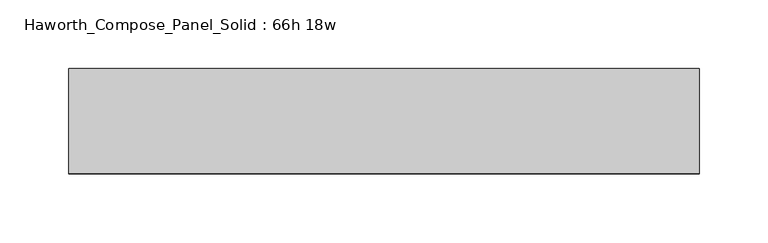
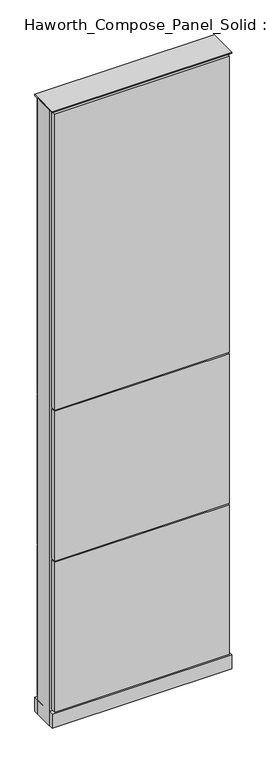
"""IFC4 building model written with IfcOpenShell, lengths in millimetres: furniture geometry, Haworth_Compose_Panel_Solid : 66h 18w."""

from ifc_helpers import new_model, si_unit, point, frame, frame_2d, origin, origin_with_axes, place, context, project, spatial, polyline, circle_curve, trimmed, segment, composite_curve, outline, extrude, source, transform, mapped, element, save


def haworth_compose_panel_solid_66h_18w_3dfef47e(model_context):
    return source(origin(), model_context, "Body", "SweptSolid", [
        extrude(outline(composite_curve([segment(trimmed(circle_curve(frame_2d((-149.9597098, 0.0)), 12.7), [point((-162.6597098, 0.0))], [point((-137.2597098, 0.0))], False, "CARTESIAN"), True, "CONTINUOUS"), segment(trimmed(circle_curve(frame_2d((-149.9597098, 0.0)), 12.7), [point((-137.2597098, 0.0))], [point((-162.6597098, 0.0))], False, "CARTESIAN"), True, "CONTINUOUS")], self_intersect=False)), origin_with_axes(), (0.0, 0.0, 1.0), 12.7),
        extrude(outline(composite_curve([segment(trimmed(circle_curve(frame_2d((154.8402902, 0.0)), 12.7), [point((142.1402902, 0.0))], [point((167.5402902, 0.0))], False, "CARTESIAN"), True, "CONTINUOUS"), segment(trimmed(circle_curve(frame_2d((154.8402902, 0.0)), 12.7), [point((167.5402902, 0.0))], [point((142.1402902, 0.0))], False, "CARTESIAN"), True, "CONTINUOUS")], self_intersect=False)), origin_with_axes(), (0.0, 0.0, 1.0), 12.7),
        extrude(outline(polyline([(224.6902902, 38.1), (224.6902902, 25.4), (-219.8097098, 25.4), (-219.8097098, 38.1), (224.6902902, 38.1)])), frame((0.0, 0.0, 866.775), z_axis=(0.0, 0.0, 1.0), x_axis=(1.0, 0.0, 0.0)), (0.0, 0.0, 1.0), 796.925),
        extrude(outline(polyline([(224.6902902, 38.1), (224.6902902, 25.4), (-219.8097098, 25.4), (-219.8097098, 38.1), (224.6902902, 38.1)])), frame((0.0, 0.0, 460.375), z_axis=(0.0, 0.0, 1.0), x_axis=(1.0, 0.0, 0.0)), (0.0, 0.0, 1.0), 403.225),
        extrude(outline(polyline([(224.6902902, 38.1), (224.6902902, 25.4), (-219.8097098, 25.4), (-219.8097098, 38.1), (224.6902902, 38.1)])), frame((0.0, 0.0, 53.975), z_axis=(0.0, 0.0, 1.0), x_axis=(1.0, 0.0, 0.0)), (0.0, 0.0, 1.0), 403.225),
        extrude(outline(polyline([(224.6902902, -38.1), (-219.8097098, -38.1), (-219.8097098, -25.4), (224.6902902, -25.4), (224.6902902, -38.1)])), frame((0.0, 0.0, 866.775), z_axis=(0.0, 0.0, 1.0), x_axis=(1.0, 0.0, 0.0)), (0.0, 0.0, 1.0), 796.925),
        extrude(outline(polyline([(224.6902902, -38.1), (-219.8097098, -38.1), (-219.8097098, -25.4), (224.6902902, -25.4), (224.6902902, -38.1)])), frame((0.0, 0.0, 460.375), z_axis=(0.0, 0.0, 1.0), x_axis=(1.0, 0.0, 0.0)), (0.0, 0.0, 1.0), 403.225),
        extrude(outline(polyline([(224.6902902, -38.1), (-219.8097098, -38.1), (-219.8097098, -25.4), (224.6902902, -25.4), (224.6902902, -38.1)])), frame((0.0, 0.0, 53.975), z_axis=(0.0, 0.0, 1.0), x_axis=(1.0, 0.0, 0.0)), (0.0, 0.0, 1.0), 403.225),
        extrude(outline(polyline([(231.0402902, 25.4), (231.0402902, -25.4), (-226.1597098, -25.4), (-226.1597098, 25.4), (231.0402902, 25.4)])), frame((0.0, 0.0, 12.7), z_axis=(0.0, 0.0, 1.0), x_axis=(1.0, 0.0, 0.0)), (0.0, 0.0, 1.0), 1657.35),
        extrude(outline(polyline([(-226.1597098, -38.1), (-226.1597098, 38.1), (231.0402902, 38.1), (231.0402902, -38.1), (-226.1597098, -38.1)])), frame((0.0, 0.0, 12.7), z_axis=(0.0, 0.0, 1.0), x_axis=(1.0, 0.0, 0.0)), (0.0, 0.0, 1.0), 38.1),
        extrude(outline(polyline([(-226.1597098, -38.1), (-226.1597098, 38.1), (231.0402902, 38.1), (231.0402902, -38.1), (-226.1597098, -38.1)])), frame((0.0, 0.0, 1670.05), z_axis=(0.0, 0.0, 1.0), x_axis=(1.0, 0.0, 0.0)), (0.0, 0.0, 1.0), 3.175),
    ])


if __name__ == "__main__":
    model = new_model("IFC4")
    model_context = context("Model", 3, world=origin())
    ifc_project = project(units=[si_unit("LENGTHUNIT", "METRE", prefix="MILLI")], contexts=[model_context])
    site = spatial("IfcSite", under=ifc_project)
    building = spatial("IfcBuilding", under=site)
    placement = place(None, origin())
    haworth_compose_panel_solid_66h_18w_shape = haworth_compose_panel_solid_66h_18w_3dfef47e(model_context)
    element("IfcFurniture", 1, ObjectType="Haworth_Compose_Panel_Solid : 66h 18w", at=placement, inside=building, context=model_context, shape_type="MappedRepresentation", body=[
        mapped(haworth_compose_panel_solid_66h_18w_shape, transform((0.0, 0.0, 0.0), x_axis=(1.0, 0.0, 0.0), y_axis=(0.0, 1.0, 0.0), z_axis=(0.0, 0.0, 1.0))),
    ])
    save(model, "model.ifc")
